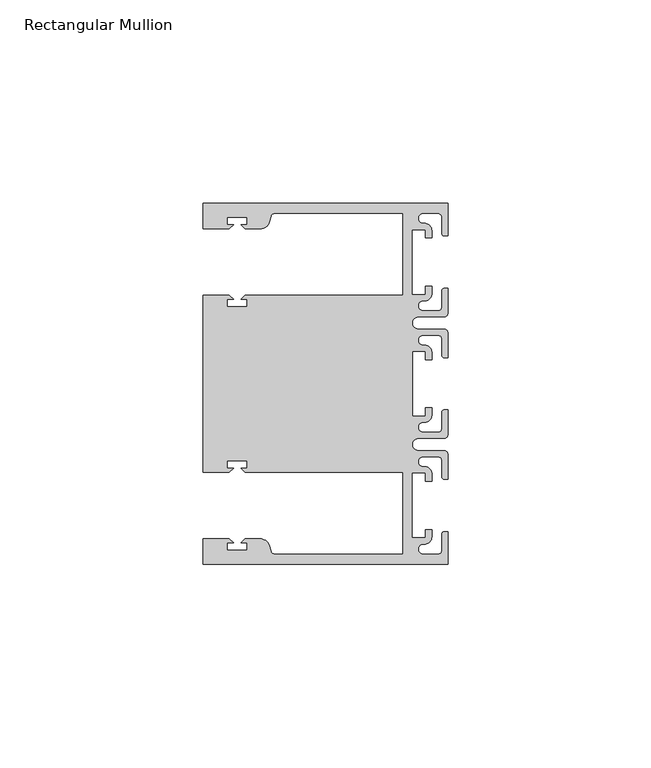
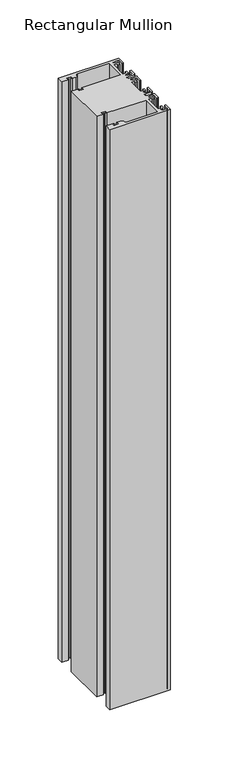
"""IFC4 building model written with IfcOpenShell, lengths in millimetres: member geometry, Rectangular Mullion."""

import ifcopenshell
import ifcopenshell.guid

model = None  # the IFC model being written
_history = None  # IfcOwnerHistory: only IFC2X3 demands one
_inside = {}  # id of a spatial element -> (the spatial element, [elements in it])
_under = {}  # id of a project, library or spatial element -> (it, [spatial elements below it])
_declared = {}  # id of a project -> (the project, [libraries it declares])
_typed = {}  # id of a type object -> (the type object, [elements of that type])
_made_of = {}  # id of a material, layer set ... -> (it, [elements and type objects made of it])


def new_model(schema):
    """Start an empty IFC model of exactly this schema.

    Asked for "IFC4X3", IfcOpenShell would pick the latest addendum, in which some entities
    have other attributes; the version numbers below select the first issue.
    IFC2X3 requires an IfcOwnerHistory on every rooted entity: one is made here for all.
    """
    global model, _history
    if schema == "IFC4X3":
        model = ifcopenshell.file(schema_version=(4, 3, 0, 0))
    else:
        model = ifcopenshell.file(schema=schema)
    _inside.clear()
    _under.clear()
    _declared.clear()
    _typed.clear()
    _made_of.clear()
    _history = None
    if model.schema == "IFC2X3":
        org = make("IfcOrganization", Name="unknown")
        user = make(
            "IfcPersonAndOrganization",
            ThePerson=make("IfcPerson", FamilyName="unknown"),
            TheOrganization=org,
        )
        app = make(
            "IfcApplication",
            ApplicationDeveloper=org,
            Version="unknown",
            ApplicationFullName="unknown",
            ApplicationIdentifier="unknown",
        )
        _history = make(
            "IfcOwnerHistory",
            OwningUser=user,
            OwningApplication=app,
            ChangeAction="ADDED",
            CreationDate=0,
        )
    return model


def make(cls, **values):
    """One entity of the class cls with the attributes given. An attribute that is None is left unset."""
    return model.create_entity(
        cls, **{name: value for name, value in values.items() if value is not None}
    )


def rooted(cls, **values):
    """An entity with a GlobalId (a new one), such as an element, a storey or a relation."""
    return make(cls, GlobalId=ifcopenshell.guid.new(), OwnerHistory=_history, **values)


def si_unit(unit_type, name, prefix=None):
    """IfcSIUnit, for example si_unit("LENGTHUNIT", "METRE", prefix="MILLI")."""
    return make("IfcSIUnit", UnitType=unit_type, Prefix=prefix, Name=name)


def assignment(units):
    """IfcUnitAssignment: the units of a project."""
    return None if units is None else make("IfcUnitAssignment", Units=units)


def point(xyz):
    """IfcCartesianPoint."""
    return None if xyz is None else make("IfcCartesianPoint", Coordinates=xyz)


def direction(xyz):
    """IfcDirection."""
    return None if xyz is None else make("IfcDirection", DirectionRatios=xyz)


def frame(location, z_axis=None, x_axis=None):
    """IfcAxis2Placement3D, a coordinate frame: its origin and axes. An axis left out is left unset."""
    return make(
        "IfcAxis2Placement3D",
        Location=point(location),
        Axis=direction(z_axis),
        RefDirection=direction(x_axis),
    )


def frame_2d(location, x_axis=None):
    """IfcAxis2Placement2D, a coordinate frame in the plane: its origin and x axis."""
    return make(
        "IfcAxis2Placement2D", Location=point(location), RefDirection=direction(x_axis)
    )


def origin():
    """The frame at (0, 0, 0) with its axes left unset."""
    return frame((0.0, 0.0, 0.0))


def place(relative_to, where):
    """IfcLocalPlacement: puts the frame where relative to a parent placement (None: the world)."""
    return make(
        "IfcLocalPlacement", PlacementRelTo=relative_to, RelativePlacement=where
    )


def context(
    kind, dimensions, precision=None, world=None, true_north=None, identifier=None
):
    """IfcGeometricRepresentationContext, for example the 3D "Model" context."""
    return make(
        "IfcGeometricRepresentationContext",
        ContextIdentifier=identifier,
        ContextType=kind,
        CoordinateSpaceDimension=dimensions,
        Precision=precision,
        WorldCoordinateSystem=world,
        TrueNorth=true_north,
    )


def project(units=None, contexts=None):
    """IfcProject with its units and contexts."""
    return rooted(
        "IfcProject",
        Name="project",
        RepresentationContexts=contexts,
        UnitsInContext=assignment(units),
    )


def spatial(cls, under=None, at=None, **own):
    """A site, building, storey or space (cls), placed at a placement, below another one or the project."""
    s = rooted(cls, ObjectPlacement=at, **own)
    if under is not None:
        _under.setdefault(under.id(), (under, []))[1].append(s)
    return s


def polyline(points):
    """IfcPolyline through the points."""
    return make("IfcPolyline", Points=[point(p) for p in points])


def circle_curve(where, radius):
    """IfcCircle in the frame where."""
    return make("IfcCircle", Position=where, Radius=radius)


def trimmed(basis, trim1, trim2, sense, master):
    """IfcTrimmedCurve: the piece of a basis curve between two trims."""
    return make(
        "IfcTrimmedCurve",
        BasisCurve=basis,
        Trim1=trim1,
        Trim2=trim2,
        SenseAgreement=sense,
        MasterRepresentation=master,
    )


def segment(curve, same_sense, transition):
    """IfcCompositeCurveSegment."""
    return make(
        "IfcCompositeCurveSegment",
        Transition=transition,
        SameSense=same_sense,
        ParentCurve=curve,
    )


def composite_curve(segments, self_intersect=None):
    """IfcCompositeCurve: segments joined end to end."""
    return make("IfcCompositeCurve", Segments=segments, SelfIntersect=self_intersect)


def outline(outer, holes=None, kind="AREA"):
    """IfcArbitraryClosedProfileDef: a profile drawn as a closed curve; with holes, ...WithVoids."""
    if holes is None:
        return make("IfcArbitraryClosedProfileDef", ProfileType=kind, OuterCurve=outer)
    return make(
        "IfcArbitraryProfileDefWithVoids",
        ProfileType=kind,
        OuterCurve=outer,
        InnerCurves=holes,
    )


def extrude(swept, where, along, depth):
    """IfcExtrudedAreaSolid: the profile swept, set in the frame where, extruded along a direction by depth."""
    return make(
        "IfcExtrudedAreaSolid",
        SweptArea=swept,
        Position=where,
        ExtrudedDirection=direction(along),
        Depth=depth,
    )


def shape(context_of_items, identifier, shape_type, items):
    """IfcShapeRepresentation: the items that make up one representation, for example the "Body"."""
    return make(
        "IfcShapeRepresentation",
        ContextOfItems=context_of_items,
        RepresentationIdentifier=identifier,
        RepresentationType=shape_type,
        Items=items,
    )


def source(mapping_origin, context_of_items, identifier, shape_type, items):
    """IfcRepresentationMap: a shape defined once, which mapped items show again and again."""
    return make(
        "IfcRepresentationMap",
        MappingOrigin=mapping_origin,
        MappedRepresentation=shape(context_of_items, identifier, shape_type, items),
    )


def transform(
    local_origin,
    x_axis=None,
    y_axis=None,
    z_axis=None,
    scale=None,
    scale2=None,
    scale3=None,
    uniform=True,
):
    """IfcCartesianTransformationOperator3D, or its non-uniform kind. x_axis, y_axis, z_axis: its Axis1, 2, 3."""
    if uniform:
        return make(
            "IfcCartesianTransformationOperator3D",
            Axis1=direction(x_axis),
            Axis2=direction(y_axis),
            LocalOrigin=point(local_origin),
            Scale=scale,
            Axis3=direction(z_axis),
        )
    return make(
        "IfcCartesianTransformationOperator3DnonUniform",
        Axis1=direction(x_axis),
        Axis2=direction(y_axis),
        LocalOrigin=point(local_origin),
        Scale=scale,
        Axis3=direction(z_axis),
        Scale2=scale2,
        Scale3=scale3,
    )


def mapped(mapping_source, mapping_target):
    """IfcMappedItem: shows the shape of a source again, moved by a transform."""
    return make(
        "IfcMappedItem", MappingSource=mapping_source, MappingTarget=mapping_target
    )


def made_of(thing, what):
    """Note that an element or type object is made of a material, layer set ...; save() writes the relation."""
    if what is not None:
        _made_of.setdefault(what.id(), (what, []))[1].append(thing)
    return thing


def element(
    cls,
    number,
    at=None,
    inside=None,
    cuts=None,
    type_object=None,
    material=None,
    context=None,
    identifier="Body",
    shape_type=None,
    held_by="IfcProductDefinitionShape",
    body=None,
    shapes=None,
    **own,
):
    """One element of the class cls, such as IfcWall. Its Tag is "e" and its number.

    at: its placement. inside: the storey or other place that contains it. cuts: it is an
    opening in that element (IfcRelVoidsElement). A single representation is given by context,
    identifier, shape_type and body (its items); several are given by shapes. held_by: the class
    of the entity that holds the representations. save() writes the other relations.
    """
    e = rooted(cls, Tag="e%d" % number, ObjectPlacement=at, **own)
    if body is not None:
        shapes = [shape(context, identifier, shape_type, body)]
    if shapes is not None:
        e.Representation = make(held_by, Representations=shapes)
    if inside is not None:
        _inside.setdefault(inside.id(), (inside, []))[1].append(e)
    if cuts is not None:
        rooted(
            "IfcRelVoidsElement", RelatingBuildingElement=cuts, RelatedOpeningElement=e
        )
    if type_object is not None:
        _typed.setdefault(type_object.id(), (type_object, []))[1].append(e)
    return made_of(e, material)


def aggregate(whole, parts):
    """IfcRelAggregates: a whole, such as a stair, and the parts it consists of."""
    return rooted("IfcRelAggregates", RelatingObject=whole, RelatedObjects=parts)


def save(model, path):
    """Write the relations noted so far, then the file.

    IfcRelAggregates (storeys below a building ...), IfcRelContainedInSpatialStructure (elements
    in a storey), IfcRelDefinesByType, IfcRelAssociatesMaterial and IfcRelDeclares: one each for
    every whole, place, type object, material and project.
    """
    for whole, parts in _under.values():
        aggregate(whole, parts)
    for where, things in _inside.values():
        rooted(
            "IfcRelContainedInSpatialStructure",
            RelatedElements=things,
            RelatingStructure=where,
        )
    for kind, things in _typed.values():
        rooted("IfcRelDefinesByType", RelatedObjects=things, RelatingType=kind)
    for what, things in _made_of.values():
        rooted("IfcRelAssociatesMaterial", RelatedObjects=things, RelatingMaterial=what)
    for by, libraries in _declared.values():
        rooted("IfcRelDeclares", RelatingContext=by, RelatedDefinitions=libraries)
    model.write(path)


def rectangular_mullion_33b864f5(model_context):
    return source(origin(), model_context, "Body", "SweptSolid", [
        extrude(outline(composite_curve([segment(polyline([(0.0, -44.45), (-60.3249977, -44.45), (-60.3249977, -38.1499897), (-53.8507531, -38.1499897), (-52.8507405, -39.1500023), (-54.4249778, -39.1500023), (-54.4249778, -40.9498819), (-49.4249831, -40.9498819), (-49.4249831, -39.1500023), (-50.999256, -39.1500023), (-49.9992503, -38.1499966), (-46.3137853, -38.1499966)]), True, "CONTINUOUS"), segment(trimmed(circle_curve(frame_2d((-46.3137853, -40.6499966)), 2.5), [point((-46.3137853, -38.1499966))], [point((-43.8989707, -40.002949))], False, "CARTESIAN"), True, "CONTINUOUS"), segment(polyline([(-43.8989707, -40.002949), (-43.5758588, -41.2088192)]), True, "CONTINUOUS"), segment(trimmed(circle_curve(frame_2d((-42.6099329, -40.9500001)), 1.0), [point((-43.5758588, -41.2088192))], [point((-42.6099329, -41.9500001))], True, "CARTESIAN"), True, "CONTINUOUS"), segment(polyline([(-42.6099329, -41.9500001), (-11.1124977, -41.95), (-11.1124977, -21.7499959), (-49.9992434, -21.7499959), (-50.999256, -20.7499834), (-49.4250186, -20.7499834), (-49.4250186, -18.949936), (-54.4250134, -18.949936), (-54.4250134, -20.7499834), (-52.8507405, -20.7499834), (-53.8507562, -21.749999), (-60.325, -21.749999), (-60.325, 21.749999), (-53.8507562, 21.749999), (-52.8507405, 20.7499834), (-54.4250134, 20.7499834), (-54.4250134, 18.949936), (-49.4250186, 18.949936), (-49.4250186, 20.7499834), (-50.999256, 20.7499834), (-49.9992434, 21.7499959), (-11.1125, 21.7499959), (-11.1125, 41.95), (-42.6099329, 41.95)]), True, "CONTINUOUS"), segment(trimmed(circle_curve(frame_2d((-42.6099329, 40.9500001)), 1.0), [point((-42.6099329, 41.95))], [point((-43.5758588, 41.2088192))], True, "CARTESIAN"), True, "CONTINUOUS"), segment(polyline([(-43.5758588, 41.2088192), (-43.8989707, 40.002949)]), True, "CONTINUOUS"), segment(trimmed(circle_curve(frame_2d((-46.3137853, 40.6499966)), 2.5), [point((-43.8989707, 40.002949))], [point((-46.3137853, 38.1499966))], False, "CARTESIAN"), True, "CONTINUOUS"), segment(polyline([(-46.3137853, 38.1499966), (-49.9992503, 38.1499966), (-50.999256, 39.1500023), (-49.4249831, 39.1500023), (-49.4249831, 40.9498819), (-54.4249778, 40.9498819), (-54.4249778, 39.1500023), (-52.8507405, 39.1500023), (-53.8507531, 38.1499897), (-60.325, 38.1499897), (-60.325, 44.45), (0.0, 44.45), (0.0, 36.4500318), (-1.0, 36.4500318)]), True, "CONTINUOUS"), segment(trimmed(circle_curve(frame_2d((-1.0, 36.9500318)), 0.5), [point((-1.0, 36.4500318))], [point((-1.5, 36.9500318))], False, "CARTESIAN"), True, "CONTINUOUS"), segment(polyline([(-1.5, 36.9500318), (-1.5, 40.95)]), True, "CONTINUOUS"), segment(trimmed(circle_curve(frame_2d((-2.5, 40.95)), 1.0), [point((-1.5, 40.95))], [point((-2.5, 41.95))], True, "CARTESIAN"), True, "CONTINUOUS"), segment(polyline([(-2.5, 41.95), (-6.0499986, 41.95)]), True, "CONTINUOUS"), segment(trimmed(circle_curve(frame_2d((-6.0499986, 40.6999986)), 1.2500014), [point((-6.0499986, 41.95))], [point((-5.9027291, 39.4587029))], True, "CARTESIAN"), True, "CONTINUOUS"), segment(trimmed(circle_curve(frame_2d((-5.7186029, 37.7499972)), 1.7185975), [point((-5.9027291, 39.4587029))], [point((-4.0000054, 37.7499972))], False, "CARTESIAN"), True, "CONTINUOUS"), segment(polyline([(-4.0000054, 37.7499972), (-4.0000054, 35.9500318), (-5.5, 35.9500318), (-5.5, 37.9499972), (-8.8585786, 37.9499972), (-8.8585786, 21.9499956), (-5.5, 21.9499956), (-5.5, 23.9499611), (-3.9999946, 23.9499611), (-3.9999946, 22.0272972)]), True, "CONTINUOUS"), segment(trimmed(circle_curve(frame_2d((-5.7543344, 22.1865598)), 1.761554), [point((-3.9999946, 22.0272972))], [point((-6.0499986, 20.4499956))], False, "CARTESIAN"), True, "CONTINUOUS"), segment(trimmed(circle_curve(frame_2d((-6.0499986, 19.1999942)), 1.2500014), [point((-6.0499986, 20.4499956))], [point((-6.0499986, 17.9499929))], True, "CARTESIAN"), True, "CONTINUOUS"), segment(polyline([(-6.0499986, 17.9499929), (-2.5, 17.9499929)]), True, "CONTINUOUS"), segment(trimmed(circle_curve(frame_2d((-2.5, 18.9499929)), 1.0), [point((-2.5, 17.9499929))], [point((-1.5, 18.9499929))], True, "CARTESIAN"), True, "CONTINUOUS"), segment(polyline([(-1.5, 18.9499929), (-1.5, 22.9499611)]), True, "CONTINUOUS"), segment(trimmed(circle_curve(frame_2d((-1.0, 22.9499611)), 0.5), [point((-1.5, 22.9499611))], [point((-1.0, 23.4499611))], False, "CARTESIAN"), True, "CONTINUOUS"), segment(polyline([(-1.0, 23.4499611), (0.0, 23.4499611), (0.0, 17.4499929)]), True, "CONTINUOUS"), segment(trimmed(circle_curve(frame_2d((-1.0, 17.4499929)), 1.0), [point((0.0, 17.4499929))], [point((-1.0, 16.4499929))], False, "CARTESIAN"), True, "CONTINUOUS"), segment(polyline([(-1.0, 16.4499929), (-7.3, 16.4499929)]), True, "CONTINUOUS"), segment(trimmed(circle_curve(frame_2d((-7.3, 14.9499929)), 1.5), [point((-7.3, 16.4499929))], [point((-7.3046244, 13.45))], True, "CARTESIAN"), True, "CONTINUOUS"), segment(polyline([(-7.3046244, 13.45), (-1.0, 13.45)]), True, "CONTINUOUS"), segment(trimmed(circle_curve(frame_2d((-1.0, 12.45)), 1.0), [point((-1.0, 13.45))], [point((0.0, 12.45))], False, "CARTESIAN"), True, "CONTINUOUS"), segment(polyline([(0.0, 12.45), (0.0, 6.4500354), (-0.9999964, 6.4500354)]), True, "CONTINUOUS"), segment(trimmed(circle_curve(frame_2d((-0.9999964, 6.9500354)), 0.5), [point((-0.9999964, 6.4500354))], [point((-1.4999964, 6.9500354))], False, "CARTESIAN"), True, "CONTINUOUS"), segment(polyline([(-1.4999964, 6.9500354), (-1.4999964, 10.95)]), True, "CONTINUOUS"), segment(trimmed(circle_curve(frame_2d((-2.4999964, 10.95)), 1.0), [point((-1.4999964, 10.95))], [point((-2.4999964, 11.95))], True, "CARTESIAN"), True, "CONTINUOUS"), segment(polyline([(-2.4999964, 11.95), (-6.0499986, 11.95)]), True, "CONTINUOUS"), segment(trimmed(circle_curve(frame_2d((-6.0499986, 10.6999986)), 1.2500014), [point((-6.0499986, 11.95))], [point((-6.0499986, 9.4499972))], True, "CARTESIAN"), True, "CONTINUOUS"), segment(trimmed(circle_curve(frame_2d((-5.7298824, 7.7499972)), 1.729877), [point((-6.0499986, 9.4499972))], [point((-4.0000054, 7.7499972))], False, "CARTESIAN"), True, "CONTINUOUS"), segment(polyline([(-4.0000054, 7.7499972), (-4.0000054, 5.9500318), (-5.5, 5.9500318), (-5.5, 7.9499972), (-8.8, 7.9499972), (-8.8, -7.9499972), (-5.5, -7.9499972), (-5.5, -5.9500318), (-4.0000054, -5.9500318), (-4.0000054, -7.7499972)]), True, "CONTINUOUS"), segment(trimmed(circle_curve(frame_2d((-5.7298824, -7.7499972)), 1.729877), [point((-4.0000054, -7.7499972))], [point((-6.0499986, -9.4499972))], False, "CARTESIAN"), True, "CONTINUOUS"), segment(trimmed(circle_curve(frame_2d((-6.0499986, -10.6999986)), 1.2500014), [point((-6.0499986, -9.4499972))], [point((-6.0499986, -11.95))], True, "CARTESIAN"), True, "CONTINUOUS"), segment(polyline([(-6.0499986, -11.95), (-2.4999964, -11.95)]), True, "CONTINUOUS"), segment(trimmed(circle_curve(frame_2d((-2.4999964, -10.95)), 1.0), [point((-2.4999964, -11.95))], [point((-1.4999964, -10.95))], True, "CARTESIAN"), True, "CONTINUOUS"), segment(polyline([(-1.4999964, -10.95), (-1.4999964, -6.9500354)]), True, "CONTINUOUS"), segment(trimmed(circle_curve(frame_2d((-0.9999964, -6.9500354)), 0.5), [point((-1.4999964, -6.9500354))], [point((-0.9999964, -6.4500354))], False, "CARTESIAN"), True, "CONTINUOUS"), segment(polyline([(-0.9999964, -6.4500354), (0.0, -6.4500354), (0.0, -12.45)]), True, "CONTINUOUS"), segment(trimmed(circle_curve(frame_2d((-1.0, -12.45)), 1.0), [point((0.0, -12.45))], [point((-1.0, -13.45))], False, "CARTESIAN"), True, "CONTINUOUS"), segment(polyline([(-1.0, -13.45), (-7.3046244, -13.45)]), True, "CONTINUOUS"), segment(trimmed(circle_curve(frame_2d((-7.3, -14.9499929)), 1.5), [point((-7.3046244, -13.45))], [point((-7.3, -16.4499929))], True, "CARTESIAN"), True, "CONTINUOUS"), segment(polyline([(-7.3, -16.4499929), (-1.0, -16.4499929)]), True, "CONTINUOUS"), segment(trimmed(circle_curve(frame_2d((-1.0, -17.4499929)), 1.0), [point((-1.0, -16.4499929))], [point((0.0, -17.4499929))], False, "CARTESIAN"), True, "CONTINUOUS"), segment(polyline([(0.0, -17.4499929), (0.0, -23.4499611), (-1.0, -23.4499611)]), True, "CONTINUOUS"), segment(trimmed(circle_curve(frame_2d((-1.0, -22.9499611)), 0.5), [point((-1.0, -23.4499611))], [point((-1.5, -22.9499611))], False, "CARTESIAN"), True, "CONTINUOUS"), segment(polyline([(-1.5, -22.9499611), (-1.5, -18.9499929)]), True, "CONTINUOUS"), segment(trimmed(circle_curve(frame_2d((-2.5, -18.9499929)), 1.0), [point((-1.5, -18.9499929))], [point((-2.5, -17.9499929))], True, "CARTESIAN"), True, "CONTINUOUS"), segment(polyline([(-2.5, -17.9499929), (-6.0499986, -17.9499929)]), True, "CONTINUOUS"), segment(trimmed(circle_curve(frame_2d((-6.0499986, -19.1999942)), 1.2500014), [point((-6.0499986, -17.9499929))], [point((-6.0499986, -20.4499956))], True, "CARTESIAN"), True, "CONTINUOUS"), segment(trimmed(circle_curve(frame_2d((-5.7543344, -22.1865598)), 1.761554), [point((-6.0499986, -20.4499956))], [point((-3.9999946, -22.0272972))], False, "CARTESIAN"), True, "CONTINUOUS"), segment(polyline([(-3.9999946, -22.0272972), (-3.9999946, -23.9499611), (-5.5, -23.9499611), (-5.5, -21.9499956), (-8.8585786, -21.9499956), (-8.8585786, -37.9499972), (-5.5, -37.9499972), (-5.5, -35.9500318), (-4.0000054, -35.9500318), (-4.0000054, -37.7499972)]), True, "CONTINUOUS"), segment(trimmed(circle_curve(frame_2d((-5.7186029, -37.7499972)), 1.7185975), [point((-4.0000054, -37.7499972))], [point((-5.9027291, -39.4587029))], False, "CARTESIAN"), True, "CONTINUOUS"), segment(trimmed(circle_curve(frame_2d((-6.0499986, -40.6999986)), 1.2500014), [point((-5.9027291, -39.4587029))], [point((-6.0499986, -41.95))], True, "CARTESIAN"), True, "CONTINUOUS"), segment(polyline([(-6.0499986, -41.95), (-2.5, -41.95)]), True, "CONTINUOUS"), segment(trimmed(circle_curve(frame_2d((-2.5, -40.95)), 1.0), [point((-2.5, -41.95))], [point((-1.5, -40.95))], True, "CARTESIAN"), True, "CONTINUOUS"), segment(polyline([(-1.5, -40.95), (-1.5, -36.9500318)]), True, "CONTINUOUS"), segment(trimmed(circle_curve(frame_2d((-1.0, -36.9500318)), 0.5), [point((-1.5, -36.9500318))], [point((-1.0, -36.4500318))], False, "CARTESIAN"), True, "CONTINUOUS"), segment(polyline([(-1.0, -36.4500318), (0.0, -36.4500318), (0.0, -44.45)]), True, "CONTINUOUS")], self_intersect=False)), frame((0.0, 0.0, -609.6), z_axis=(0.0, 0.0, 1.0), x_axis=(1.0, 0.0, 0.0)), (0.0, 0.0, 1.0), 609.6),
    ])


if __name__ == "__main__":
    model = new_model("IFC4")
    model_context = context("Model", 3, world=origin())
    ifc_project = project(units=[si_unit("LENGTHUNIT", "METRE", prefix="MILLI")], contexts=[model_context])
    site = spatial("IfcSite", under=ifc_project)
    building = spatial("IfcBuilding", under=site)
    placement = place(None, origin())
    rectangular_mullion_shape = rectangular_mullion_33b864f5(model_context)
    element("IfcMember", 1, ObjectType="Rectangular Mullion", at=placement, inside=building, context=model_context, shape_type="MappedRepresentation", body=[
        mapped(rectangular_mullion_shape, transform((0.0, 0.0, 0.0), x_axis=(1.0, 0.0, 0.0), y_axis=(0.0, 1.0, 0.0), z_axis=(0.0, 0.0, 1.0))),
    ])
    save(model, "model.ifc")
